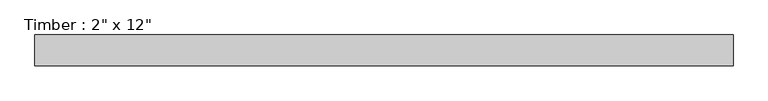
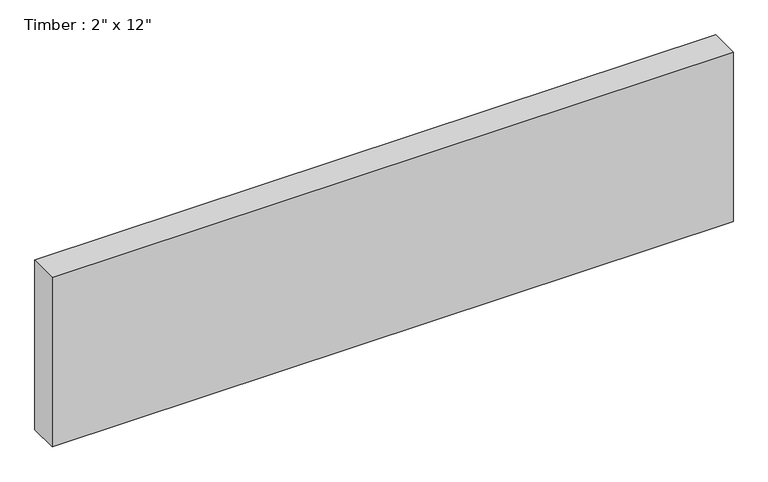
"""IFC4 building model written with IfcOpenShell, lengths in millimetres: beam geometry."""

from ifc_helpers import new_model, si_unit, frame, origin, place, context, project, spatial, polyline, outline, extrude, source, transform, mapped, element, save


def beam_285e0372(model_context):
    return source(origin(), model_context, "Body", "SweptSolid", [
        extrude(outline(polyline([(577.85, 25.4), (577.85, -25.4), (-577.85, -25.4), (-577.85, 25.4), (577.85, 25.4)])), frame((0.0, 0.0, -152.4), z_axis=(0.0, 0.0, 1.0), x_axis=(1.0, 0.0, 0.0)), (0.0, 0.0, 1.0), 304.8),
    ])


if __name__ == "__main__":
    model = new_model("IFC4")
    model_context = context("Model", 3, world=origin())
    ifc_project = project(units=[si_unit("LENGTHUNIT", "METRE", prefix="MILLI")], contexts=[model_context])
    site = spatial("IfcSite", under=ifc_project)
    building = spatial("IfcBuilding", under=site)
    placement = place(None, origin())
    beam_shape = beam_285e0372(model_context)
    element("IfcBeam", 1, ObjectType="Timber : 2\" x 12\"", at=placement, inside=building, context=model_context, shape_type="MappedRepresentation", body=[
        mapped(beam_shape, transform((0.0, 0.0, 0.0), x_axis=(1.0, 0.0, 0.0), y_axis=(0.0, 1.0, 0.0), z_axis=(0.0, 0.0, 1.0))),
    ])
    save(model, "model.ifc")
